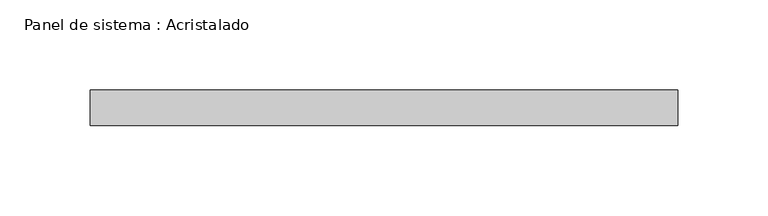
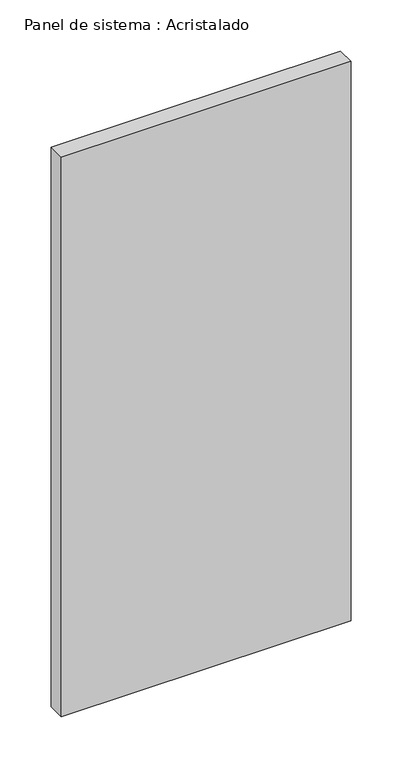
"""IFC4 building model written with IfcOpenShell, lengths in millimetres: plate geometry, Panel de sistema : Acristalado."""

from ifc_helpers import new_model, si_unit, origin, origin_with_axes, place, context, project, spatial, polyline, outline, extrude, source, transform, mapped, element, save


def panel_de_sistema_acristalado_a14b2a2b(model_context):
    return source(origin(), model_context, "Body", "SweptSolid", [
        extrude(outline(polyline([(163.3333333, -10.0), (-163.3333333, -10.0), (-163.3333333, 10.0), (163.3333333, 10.0), (163.3333333, -10.0)])), origin_with_axes(), (0.0, 0.0, 1.0), 667.1037779),
    ])


if __name__ == "__main__":
    model = new_model("IFC4")
    model_context = context("Model", 3, world=origin())
    ifc_project = project(units=[si_unit("LENGTHUNIT", "METRE", prefix="MILLI")], contexts=[model_context])
    site = spatial("IfcSite", under=ifc_project)
    building = spatial("IfcBuilding", under=site)
    placement = place(None, origin())
    panel_de_sistema_acristalado_shape = panel_de_sistema_acristalado_a14b2a2b(model_context)
    element("IfcPlate", 1, ObjectType="Panel de sistema : Acristalado", at=placement, inside=building, context=model_context, shape_type="MappedRepresentation", body=[
        mapped(panel_de_sistema_acristalado_shape, transform((0.0, 0.0, 0.0), x_axis=(1.0, 0.0, 0.0), y_axis=(0.0, 1.0, 0.0), z_axis=(0.0, 0.0, 1.0))),
    ])
    save(model, "model.ifc")
